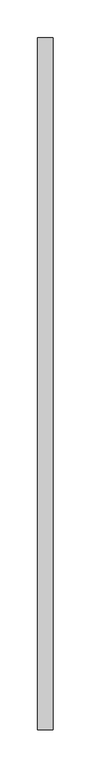
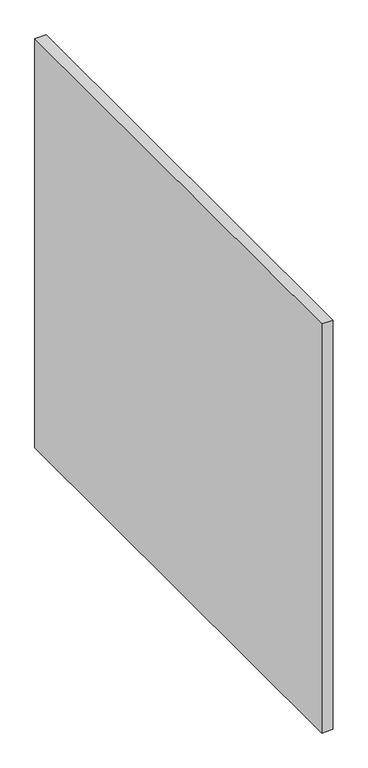
"""IFC4 building model written with IfcOpenShell, lengths in millimetres: proxy geometry."""

from ifc_helpers import new_model, si_unit, frame, origin, place, context, project, spatial, polyline, outline, extrude, source, transform, mapped, element, save


def generic_models_f6de8fb5(model_context):
    return source(origin(), model_context, "Body", "SweptSolid", [
        extrude(outline(polyline([(37941.8210167, -24888.3779893), (37921.4210167, -24888.3779893), (37921.4210167, -23977.1529893), (37941.8210167, -23977.1529893), (37941.8210167, -24888.3779893)])), frame((0.0, 0.0, 4846.0415039), z_axis=(0.0, 0.0, 1.0), x_axis=(1.0, 0.0, 0.0)), (0.0, 0.0, 1.0), 792.7584961),
    ])


if __name__ == "__main__":
    model = new_model("IFC4")
    model_context = context("Model", 3, world=origin())
    ifc_project = project(units=[si_unit("LENGTHUNIT", "METRE", prefix="MILLI")], contexts=[model_context])
    site = spatial("IfcSite", under=ifc_project)
    building = spatial("IfcBuilding", under=site)
    placement = place(None, origin())
    generic_models_shape = generic_models_f6de8fb5(model_context)
    element("IfcBuildingElementProxy", 1, Name="Generic Models", at=placement, inside=building, context=model_context, shape_type="MappedRepresentation", body=[
        mapped(generic_models_shape, transform((0.0, 0.0, 0.0), x_axis=(1.0, 0.0, 0.0), y_axis=(0.0, 1.0, 0.0), z_axis=(0.0, 0.0, 1.0))),
    ])
    save(model, "model.ifc")
